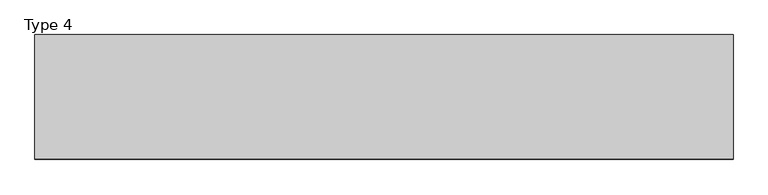
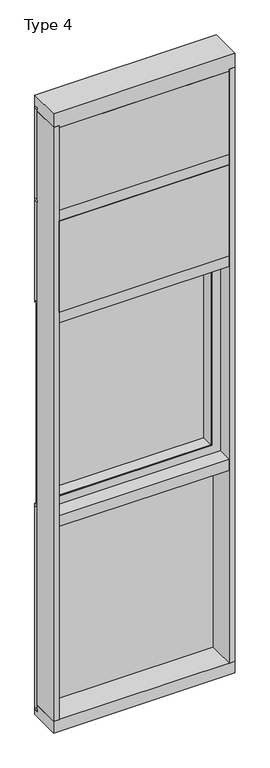
"""IFC4 building model written with IfcOpenShell, lengths in millimetres: plate geometry, Type 4."""

from ifc_helpers import new_model, si_unit, frame, origin, place, context, project, spatial, polyline, outline, extrude, faceted_brep, source, transform, mapped, element, save


def type_4_0c8bd6d0(model_context):
    return source(origin(), model_context, "Body", "SolidModel", [
        faceted_brep([(-466.725, -66.0939347, 2390.775), (-466.725, -12.4174268, 2390.775), (466.725, -12.4174268, 2390.775), (466.725, -66.0939347, 2390.775), (-464.7836465, -12.4174268, 2388.8336465), (-464.7836465, -7.9279804, 2388.8336465), (464.7836465, -7.9279804, 2388.8336465), (464.7836465, -12.4174268, 2388.8336465), (431.00625, -63.4904804, 2355.05625), (431.00625, -68.2529804, 2355.05625), (431.00625, -68.2529804, 1302.54375), (431.00625, -63.4904804, 1302.54375), (-482.6, 26.9875, 2406.65), (-482.6, -68.2529804, 2406.65), (482.6, -68.2529804, 2406.65), (482.6, 26.9875, 2406.65), (-434.18125, -68.2529804, 2358.23125), (-434.18125, -66.0939347, 2358.23125), (434.18125, -66.0939347, 2358.23125), (434.18125, -68.2529804, 2358.23125), (-431.00625, -68.2529804, 1302.54375), (-431.00625, -68.2529804, 2355.05625), (-428.625, -68.2529804, 2352.675), (428.625, -68.2529804, 2352.675), (428.625, -68.2529804, 1304.925), (-428.625, -68.2529804, 1304.925), (457.21905, 1.5875, 1276.33095), (457.21905, 26.9875, 1276.33095), (-457.21905, 26.9875, 1276.33095), (-457.21905, 1.5875, 1276.33095), (466.725, -12.4174268, 1266.825), (466.725, -66.0939347, 1266.825), (-464.7836465, -12.4174268, 1268.7663535), (-464.7836465, -7.9279804, 1268.7663535), (-434.18125, -68.2529804, 1299.36875), (-434.18125, -66.0939347, 1299.36875), (-457.21905, 26.9875, 2381.26905), (-457.21905, 1.5875, 2381.26905), (-428.625, 1.5875, 1304.925), (-428.625, 1.5875, 2352.675), (-431.00625, -63.4904804, 1302.54375), (-431.00625, -63.4904804, 2355.05625), (-482.6, 26.9875, 1250.95), (-482.6, -68.2529804, 1250.95), (-449.2625, -7.9279804, 1284.2875), (-449.2625, -63.4904804, 1284.2875), (-449.2625, -63.4904804, 2373.3125), (-449.2625, -7.9279804, 2373.3125), (-466.725, -66.0939347, 1266.825), (-466.725, -12.4174268, 1266.825), (457.21905, 26.9875, 2381.26905), (457.21905, 1.5875, 2381.26905), (428.625, 1.5875, 2352.675), (449.2625, -63.4904804, 2373.3125), (449.2625, -7.9279804, 2373.3125), (428.625, 1.5875, 1304.925), (449.2625, -63.4904804, 1284.2875), (449.2625, -7.9279804, 1284.2875), (464.7836465, -7.9279804, 1268.7663535), (464.7836465, -12.4174268, 1268.7663535), (434.18125, -66.0939347, 1299.36875), (434.18125, -68.2529804, 1299.36875), (482.6, -68.2529804, 1250.95), (482.6, 26.9875, 1250.95)], [[[0, 1, 2, 3]], [[4, 5, 6, 7]], [[8, 9, 10, 11]], [[12, 13, 14, 15]], [[16, 17, 18, 19]], [[20, 10, 9, 21], [22, 23, 24, 25]], [[26, 27, 28, 29]], [[3, 2, 30, 31]], [[32, 33, 5, 4]], [[34, 35, 17, 16]], [[29, 28, 36, 37]], [[25, 38, 39, 22]], [[40, 20, 21, 41]], [[42, 43, 13, 12]], [[44, 45, 46, 47]], [[48, 49, 1, 0]], [[37, 36, 50, 51]], [[22, 39, 52, 23]], [[41, 21, 9, 8]], [[47, 46, 53, 54]], [[51, 50, 27, 26]], [[23, 52, 55, 24]], [[54, 53, 56, 57]], [[7, 6, 58, 59]], [[19, 18, 60, 61]], [[15, 14, 62, 63]], [[12, 15, 63, 42], [28, 27, 50, 36]], [[37, 51, 26, 29], [38, 55, 52, 39]], [[24, 55, 38, 25]], [[11, 10, 20, 40]], [[45, 56, 53, 46], [41, 8, 11, 40]], [[57, 56, 45, 44]], [[33, 58, 6, 5], [47, 54, 57, 44]], [[59, 58, 33, 32]], [[49, 30, 2, 1], [4, 7, 59, 32]], [[31, 30, 49, 48]], [[0, 3, 31, 48], [35, 60, 18, 17]], [[61, 60, 35, 34]], [[43, 62, 14, 13], [16, 19, 61, 34]], [[63, 62, 43, 42]]]),
        extrude(outline(polyline([(457.21905, 26.9875), (457.21905, 1.5875), (-457.21905, 1.5875), (-457.21905, 26.9875), (457.21905, 26.9875)])), frame((0.0, 0.0, 1276.33095), z_axis=(0.0, 0.0, 1.0), x_axis=(1.0, 0.0, 0.0)), (0.0, 0.0, 1.0), 1104.9381),
        extrude(outline(polyline([(482.6010892, -48.6409999), (482.6010892, -156.32684), (-482.6, -156.32684), (-482.6, -48.6409999), (482.6010892, -48.6409999)])), frame((0.0, 0.0, 2470.15), z_axis=(0.0, 0.0, 1.0), x_axis=(1.0, 0.0, 0.0)), (0.0, 0.0, 1.0), 546.1993556),
        extrude(outline(polyline([(514.35, 27.686), (514.35, 6.35), (-514.35, 6.35), (-514.35, 27.686), (514.35, 27.686)])), frame((0.0, 0.0, 3041.65), z_axis=(0.0, 0.0, 1.0), x_axis=(1.0, 0.0, 0.0)), (0.0, 0.0, 1.0), 12.7),
        extrude(outline(polyline([(514.35, 27.6881517), (514.35, 11.2982336), (501.6510892, 11.2982336), (501.6510892, 27.6881517), (514.35, 27.6881517)])), frame((0.0, 0.0, 2444.75), z_axis=(0.0, 0.0, 1.0), x_axis=(1.0, 0.0, 0.0)), (0.0, 0.0, 1.0), 596.9),
        extrude(outline(polyline([(-501.6510892, 27.6881517), (-501.6510892, 11.2982336), (-514.35, 11.2982336), (-514.35, 27.6881517), (-501.6510892, 27.6881517)])), frame((0.0, 0.0, 2444.75), z_axis=(0.0, 0.0, 1.0), x_axis=(1.0, 0.0, 0.0)), (0.0, 0.0, 1.0), 596.9),
        extrude(outline(polyline([(501.6510892, 27.686), (501.6510892, 2.286), (-501.6510892, 2.286), (-501.6510892, 27.686), (501.6510892, 27.686)])), frame((0.0, 0.0, 2444.75), z_axis=(0.0, 0.0, 1.0), x_axis=(1.0, 0.0, 0.0)), (0.0, 0.0, 1.0), 596.9),
        extrude(outline(polyline([(-514.35, -155.9814), (-514.35, 2.286), (-482.6, 2.286), (-482.6, -155.9814), (-514.35, -155.9814)])), frame((0.0, 0.0, 31.75), z_axis=(0.0, 0.0, 1.0), x_axis=(1.0, 0.0, 0.0)), (0.0, 0.0, 1.0), 3556.0),
        extrude(outline(polyline([(514.35, -155.9814), (482.6, -155.9814), (482.6, 2.286), (514.35, 2.286), (514.35, -155.9814)])), frame((0.0, 0.0, 31.75), z_axis=(0.0, 0.0, 1.0), x_axis=(1.0, 0.0, 0.0)), (0.0, 0.0, 1.0), 3556.0),
        extrude(outline(polyline([(482.6010892, -48.6409999), (482.6010892, -156.32684), (-482.6, -156.32684), (-482.6, -48.6409999), (482.6010892, -48.6409999)])), frame((0.0, 0.0, 3079.75), z_axis=(0.0, 0.0, 1.0), x_axis=(1.0, 0.0, 0.0)), (0.0, 0.0, 1.0), 495.3984372),
        extrude(outline(polyline([(514.35, 27.686), (514.35, 6.35), (-514.35, 6.35), (-514.35, 27.686), (514.35, 27.686)])), frame((0.0, 0.0, 3594.1), z_axis=(0.0, 0.0, 1.0), x_axis=(1.0, 0.0, 0.0)), (0.0, 0.0, 1.0), 12.7),
        extrude(outline(polyline([(514.35, 27.6881517), (514.35, 11.2982336), (501.6510892, 11.2982336), (501.6510892, 27.6881517), (514.35, 27.6881517)])), frame((0.0, 0.0, 3054.35), z_axis=(0.0, 0.0, 1.0), x_axis=(1.0, 0.0, 0.0)), (0.0, 0.0, 1.0), 539.75),
        extrude(outline(polyline([(-501.6510892, 27.6881517), (-501.6510892, 11.2982336), (-514.35, 11.2982336), (-514.35, 27.6881517), (-501.6510892, 27.6881517)])), frame((0.0, 0.0, 3054.35), z_axis=(0.0, 0.0, 1.0), x_axis=(1.0, 0.0, 0.0)), (0.0, 0.0, 1.0), 539.75),
        extrude(outline(polyline([(501.6510892, 27.686), (501.6510892, 2.286), (-501.6510892, 2.286), (-501.6510892, 27.686), (501.6510892, 27.686)])), frame((0.0, 0.0, 3054.35), z_axis=(0.0, 0.0, 1.0), x_axis=(1.0, 0.0, 0.0)), (0.0, 0.0, 1.0), 539.75),
        extrude(outline(polyline([(514.35, 27.6881517), (514.35, 11.2982336), (501.6510892, 11.2982336), (501.6510892, 27.6881517), (514.35, 27.6881517)])), frame((0.0, 0.0, 6.35), z_axis=(0.0, 0.0, 1.0), x_axis=(1.0, 0.0, 0.0)), (0.0, 0.0, 1.0), 1206.5),
        extrude(outline(polyline([(-501.6510892, 27.6881517), (-501.6510892, 11.2982336), (-514.35, 11.2982336), (-514.35, 27.6881517), (-501.6510892, 27.6881517)])), frame((0.0, 0.0, 6.35), z_axis=(0.0, 0.0, 1.0), x_axis=(1.0, 0.0, 0.0)), (0.0, 0.0, 1.0), 1206.5),
        extrude(outline(polyline([(501.6510892, 27.686), (501.6510892, 2.286), (-501.6510892, 2.286), (-501.6510892, 27.686), (501.6510892, 27.686)])), frame((0.0, 0.0, 6.35), z_axis=(0.0, 0.0, 1.0), x_axis=(1.0, 0.0, 0.0)), (0.0, 0.0, 1.0), 1206.5),
        extrude(outline(polyline([(514.35, 27.686), (514.35, 6.35), (-514.35, 6.35), (-514.35, 27.686), (514.35, 27.686)])), frame((0.0, 0.0, 1212.85), z_axis=(0.0, 0.0, 1.0), x_axis=(1.0, 0.0, 0.0)), (0.0, 0.0, 1.0), 12.7),
        extrude(outline(polyline([(514.35, 27.686), (514.35, 11.2982336), (-514.35, 11.2982336), (-514.35, 27.686), (514.35, 27.686)])), frame((0.0, 0.0, 2432.05), z_axis=(0.0, 0.0, 1.0), x_axis=(1.0, 0.0, 0.0)), (0.0, 0.0, 1.0), 6.35),
        extrude(outline(polyline([(2432.05, 508.0), (2432.05, -508.0), (1225.55, -508.0), (1225.55, 508.0), (2432.05, 508.0)]), holes=[polyline([(1250.95, 482.6), (1250.95, -482.6), (2406.65, -482.6), (2406.65, 482.6), (1250.95, 482.6)])]), frame((0.0, 2.286, 0.0), z_axis=(0.0, 1.0, 0.0), x_axis=(0.0, 0.0, 1.0)), (0.0, 0.0, 1.0), 25.3960312),
        extrude(outline(polyline([(-482.6, -155.4734), (-482.6, 2.286), (482.6, 2.286), (482.6, -155.4734), (-482.6, -155.4734)])), frame((0.0, 0.0, 1187.45), z_axis=(0.0, 0.0, 1.0), x_axis=(1.0, 0.0, 0.0)), (0.0, 0.0, 1.0), 63.5),
        extrude(outline(polyline([(-482.6, -155.4734), (-482.6, 2.286), (482.6, 2.286), (482.6, -155.4734), (-482.6, -155.4734)])), frame((0.0, 0.0, 2406.65), z_axis=(0.0, 0.0, 1.0), x_axis=(1.0, 0.0, 0.0)), (0.0, 0.0, 1.0), 63.5),
        extrude(outline(polyline([(-514.35, 5.0946564), (-514.35, 27.6881517), (514.35, 27.6881517), (514.35, 5.0946564), (-514.35, 5.0946564)])), frame((0.0, 0.0, -6.2984797), z_axis=(0.0, 0.0, 1.0), x_axis=(1.0, 0.0, 0.0)), (0.0, 0.0, 1.0), 12.6484797),
        extrude(outline(polyline([(27.686, 3670.3), (27.686, 3606.8000642), (2.286, 3606.8000642), (2.286, 3575.0500939), (-155.4734, 3575.0500939), (-155.4734, 3670.3), (27.686, 3670.3)])), frame((-514.35, 0.0, 0.0), z_axis=(1.0, 0.0, 0.0), x_axis=(0.0, 1.0, 0.0)), (0.0, 0.0, 1.0), 1028.7),
        extrude(outline(polyline([(-482.6, -155.4734), (-482.6, 2.2859999), (482.6, 2.2859999), (482.6, -155.4734), (-482.6, -155.4734)])), frame((0.0, 0.0, 3016.25), z_axis=(0.0, 0.0, 1.0), x_axis=(1.0, 0.0, 0.0)), (0.0, 0.0, 1.0), 63.5),
        extrude(outline(polyline([(2.2859999, 31.75), (2.2859999, -6.2983857), (27.6858239, -6.2983857), (27.6858239, -38.1), (-155.6004, -38.1), (-155.6004, 31.75), (2.2859999, 31.75)])), frame((-514.35, 0.0, 0.0), z_axis=(1.0, 0.0, 0.0), x_axis=(0.0, 1.0, 0.0)), (0.0, 0.0, 1.0), 1028.7),
    ])


if __name__ == "__main__":
    model = new_model("IFC4")
    model_context = context("Model", 3, world=origin())
    ifc_project = project(units=[si_unit("LENGTHUNIT", "METRE", prefix="MILLI")], contexts=[model_context])
    site = spatial("IfcSite", under=ifc_project)
    building = spatial("IfcBuilding", under=site)
    placement = place(None, origin())
    type_4_shape = type_4_0c8bd6d0(model_context)
    element("IfcPlate", 1, ObjectType="Type 4", at=placement, inside=building, context=model_context, shape_type="MappedRepresentation", body=[
        mapped(type_4_shape, transform((0.0, 0.0, 0.0), x_axis=(1.0, 0.0, 0.0), y_axis=(0.0, 1.0, 0.0), z_axis=(0.0, 0.0, 1.0))),
    ])
    save(model, "model.ifc")
